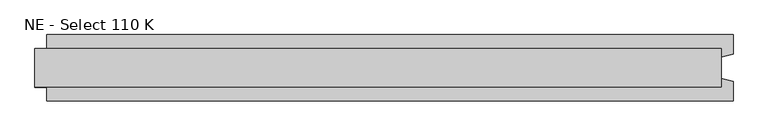
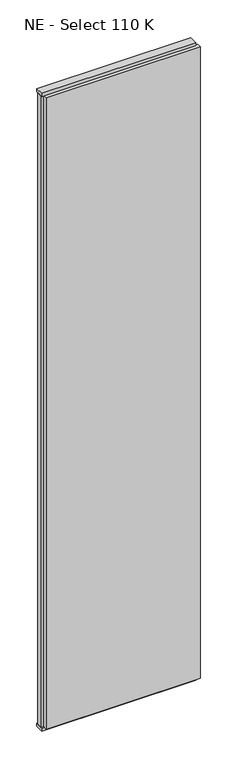
"""IFC4 building model written with IfcOpenShell, lengths in millimetres: plate geometry, NE - Select 110 K."""

import ifcopenshell
import ifcopenshell.guid

model = None  # the IFC model being written
_history = None  # IfcOwnerHistory: only IFC2X3 demands one
_inside = {}  # id of a spatial element -> (the spatial element, [elements in it])
_under = {}  # id of a project, library or spatial element -> (it, [spatial elements below it])
_declared = {}  # id of a project -> (the project, [libraries it declares])
_typed = {}  # id of a type object -> (the type object, [elements of that type])
_made_of = {}  # id of a material, layer set ... -> (it, [elements and type objects made of it])


def new_model(schema):
    """Start an empty IFC model of exactly this schema.

    Asked for "IFC4X3", IfcOpenShell would pick the latest addendum, in which some entities
    have other attributes; the version numbers below select the first issue.
    IFC2X3 requires an IfcOwnerHistory on every rooted entity: one is made here for all.
    """
    global model, _history
    if schema == "IFC4X3":
        model = ifcopenshell.file(schema_version=(4, 3, 0, 0))
    else:
        model = ifcopenshell.file(schema=schema)
    _inside.clear()
    _under.clear()
    _declared.clear()
    _typed.clear()
    _made_of.clear()
    _history = None
    if model.schema == "IFC2X3":
        org = make("IfcOrganization", Name="unknown")
        user = make(
            "IfcPersonAndOrganization",
            ThePerson=make("IfcPerson", FamilyName="unknown"),
            TheOrganization=org,
        )
        app = make(
            "IfcApplication",
            ApplicationDeveloper=org,
            Version="unknown",
            ApplicationFullName="unknown",
            ApplicationIdentifier="unknown",
        )
        _history = make(
            "IfcOwnerHistory",
            OwningUser=user,
            OwningApplication=app,
            ChangeAction="ADDED",
            CreationDate=0,
        )
    return model


def make(cls, **values):
    """One entity of the class cls with the attributes given. An attribute that is None is left unset."""
    return model.create_entity(
        cls, **{name: value for name, value in values.items() if value is not None}
    )


def rooted(cls, **values):
    """An entity with a GlobalId (a new one), such as an element, a storey or a relation."""
    return make(cls, GlobalId=ifcopenshell.guid.new(), OwnerHistory=_history, **values)


def si_unit(unit_type, name, prefix=None):
    """IfcSIUnit, for example si_unit("LENGTHUNIT", "METRE", prefix="MILLI")."""
    return make("IfcSIUnit", UnitType=unit_type, Prefix=prefix, Name=name)


def assignment(units):
    """IfcUnitAssignment: the units of a project."""
    return None if units is None else make("IfcUnitAssignment", Units=units)


def point(xyz):
    """IfcCartesianPoint."""
    return None if xyz is None else make("IfcCartesianPoint", Coordinates=xyz)


def direction(xyz):
    """IfcDirection."""
    return None if xyz is None else make("IfcDirection", DirectionRatios=xyz)


def frame(location, z_axis=None, x_axis=None):
    """IfcAxis2Placement3D, a coordinate frame: its origin and axes. An axis left out is left unset."""
    return make(
        "IfcAxis2Placement3D",
        Location=point(location),
        Axis=direction(z_axis),
        RefDirection=direction(x_axis),
    )


def origin():
    """The frame at (0, 0, 0) with its axes left unset."""
    return frame((0.0, 0.0, 0.0))


def origin_with_axes():
    """The frame at (0, 0, 0) with the z axis (0, 0, 1) and the x axis (1, 0, 0) written out."""
    return frame((0.0, 0.0, 0.0), z_axis=(0.0, 0.0, 1.0), x_axis=(1.0, 0.0, 0.0))


def place(relative_to, where):
    """IfcLocalPlacement: puts the frame where relative to a parent placement (None: the world)."""
    return make(
        "IfcLocalPlacement", PlacementRelTo=relative_to, RelativePlacement=where
    )


def context(
    kind, dimensions, precision=None, world=None, true_north=None, identifier=None
):
    """IfcGeometricRepresentationContext, for example the 3D "Model" context."""
    return make(
        "IfcGeometricRepresentationContext",
        ContextIdentifier=identifier,
        ContextType=kind,
        CoordinateSpaceDimension=dimensions,
        Precision=precision,
        WorldCoordinateSystem=world,
        TrueNorth=true_north,
    )


def project(units=None, contexts=None):
    """IfcProject with its units and contexts."""
    return rooted(
        "IfcProject",
        Name="project",
        RepresentationContexts=contexts,
        UnitsInContext=assignment(units),
    )


def spatial(cls, under=None, at=None, **own):
    """A site, building, storey or space (cls), placed at a placement, below another one or the project."""
    s = rooted(cls, ObjectPlacement=at, **own)
    if under is not None:
        _under.setdefault(under.id(), (under, []))[1].append(s)
    return s


def polyline(points):
    """IfcPolyline through the points."""
    return make("IfcPolyline", Points=[point(p) for p in points])


def outline(outer, holes=None, kind="AREA"):
    """IfcArbitraryClosedProfileDef: a profile drawn as a closed curve; with holes, ...WithVoids."""
    if holes is None:
        return make("IfcArbitraryClosedProfileDef", ProfileType=kind, OuterCurve=outer)
    return make(
        "IfcArbitraryProfileDefWithVoids",
        ProfileType=kind,
        OuterCurve=outer,
        InnerCurves=holes,
    )


def extrude(swept, where, along, depth):
    """IfcExtrudedAreaSolid: the profile swept, set in the frame where, extruded along a direction by depth."""
    return make(
        "IfcExtrudedAreaSolid",
        SweptArea=swept,
        Position=where,
        ExtrudedDirection=direction(along),
        Depth=depth,
    )


def shape(context_of_items, identifier, shape_type, items):
    """IfcShapeRepresentation: the items that make up one representation, for example the "Body"."""
    return make(
        "IfcShapeRepresentation",
        ContextOfItems=context_of_items,
        RepresentationIdentifier=identifier,
        RepresentationType=shape_type,
        Items=items,
    )


def source(mapping_origin, context_of_items, identifier, shape_type, items):
    """IfcRepresentationMap: a shape defined once, which mapped items show again and again."""
    return make(
        "IfcRepresentationMap",
        MappingOrigin=mapping_origin,
        MappedRepresentation=shape(context_of_items, identifier, shape_type, items),
    )


def transform(
    local_origin,
    x_axis=None,
    y_axis=None,
    z_axis=None,
    scale=None,
    scale2=None,
    scale3=None,
    uniform=True,
):
    """IfcCartesianTransformationOperator3D, or its non-uniform kind. x_axis, y_axis, z_axis: its Axis1, 2, 3."""
    if uniform:
        return make(
            "IfcCartesianTransformationOperator3D",
            Axis1=direction(x_axis),
            Axis2=direction(y_axis),
            LocalOrigin=point(local_origin),
            Scale=scale,
            Axis3=direction(z_axis),
        )
    return make(
        "IfcCartesianTransformationOperator3DnonUniform",
        Axis1=direction(x_axis),
        Axis2=direction(y_axis),
        LocalOrigin=point(local_origin),
        Scale=scale,
        Axis3=direction(z_axis),
        Scale2=scale2,
        Scale3=scale3,
    )


def mapped(mapping_source, mapping_target):
    """IfcMappedItem: shows the shape of a source again, moved by a transform."""
    return make(
        "IfcMappedItem", MappingSource=mapping_source, MappingTarget=mapping_target
    )


def made_of(thing, what):
    """Note that an element or type object is made of a material, layer set ...; save() writes the relation."""
    if what is not None:
        _made_of.setdefault(what.id(), (what, []))[1].append(thing)
    return thing


def element(
    cls,
    number,
    at=None,
    inside=None,
    cuts=None,
    type_object=None,
    material=None,
    context=None,
    identifier="Body",
    shape_type=None,
    held_by="IfcProductDefinitionShape",
    body=None,
    shapes=None,
    **own,
):
    """One element of the class cls, such as IfcWall. Its Tag is "e" and its number.

    at: its placement. inside: the storey or other place that contains it. cuts: it is an
    opening in that element (IfcRelVoidsElement). A single representation is given by context,
    identifier, shape_type and body (its items); several are given by shapes. held_by: the class
    of the entity that holds the representations. save() writes the other relations.
    """
    e = rooted(cls, Tag="e%d" % number, ObjectPlacement=at, **own)
    if body is not None:
        shapes = [shape(context, identifier, shape_type, body)]
    if shapes is not None:
        e.Representation = make(held_by, Representations=shapes)
    if inside is not None:
        _inside.setdefault(inside.id(), (inside, []))[1].append(e)
    if cuts is not None:
        rooted(
            "IfcRelVoidsElement", RelatingBuildingElement=cuts, RelatedOpeningElement=e
        )
    if type_object is not None:
        _typed.setdefault(type_object.id(), (type_object, []))[1].append(e)
    return made_of(e, material)


def aggregate(whole, parts):
    """IfcRelAggregates: a whole, such as a stair, and the parts it consists of."""
    return rooted("IfcRelAggregates", RelatingObject=whole, RelatedObjects=parts)


def save(model, path):
    """Write the relations noted so far, then the file.

    IfcRelAggregates (storeys below a building ...), IfcRelContainedInSpatialStructure (elements
    in a storey), IfcRelDefinesByType, IfcRelAssociatesMaterial and IfcRelDeclares: one each for
    every whole, place, type object, material and project.
    """
    for whole, parts in _under.values():
        aggregate(whole, parts)
    for where, things in _inside.values():
        rooted(
            "IfcRelContainedInSpatialStructure",
            RelatedElements=things,
            RelatingStructure=where,
        )
    for kind, things in _typed.values():
        rooted("IfcRelDefinesByType", RelatedObjects=things, RelatingType=kind)
    for what, things in _made_of.values():
        rooted("IfcRelAssociatesMaterial", RelatedObjects=things, RelatingMaterial=what)
    for by, libraries in _declared.values():
        rooted("IfcRelDeclares", RelatingContext=by, RelatedDefinitions=libraries)
    model.write(path)


def ne_select_110_k_1a0165be(model_context):
    return source(origin(), model_context, "Body", "SweptSolid", [
        extrude(outline(polyline([(590.5, 55.0), (590.5, 22.9993165), (570.5, 17.6401049), (570.5, -17.6401049), (590.5, -22.9993165), (590.5, -55.0), (-550.5, -55.0), (-550.5, -22.9993165), (-570.5, -17.6401049), (-570.5, 17.6401049), (-550.5, 22.9993165), (-550.5, 55.0), (590.5, 55.0)])), frame((0.0, 0.0, 25.0), z_axis=(0.0, 0.0, 1.0), x_axis=(1.0, 0.0, 0.0)), (0.0, 0.0, 1.0), 4950.0),
        extrude(outline(polyline([(570.5, 32.0), (570.5, -32.0), (-570.5, -32.0), (-570.5, 32.0), (570.5, 32.0)])), origin_with_axes(), (0.0, 0.0, 1.0), 25.0),
        extrude(outline(polyline([(570.5, 32.0), (570.5, -32.0), (-570.5, -32.0), (-570.5, 32.0), (570.5, 32.0)])), frame((0.0, 0.0, 4975.0), z_axis=(0.0, 0.0, 1.0), x_axis=(1.0, 0.0, 0.0)), (0.0, 0.0, 1.0), 25.0),
    ])


if __name__ == "__main__":
    model = new_model("IFC4")
    model_context = context("Model", 3, world=origin())
    ifc_project = project(units=[si_unit("LENGTHUNIT", "METRE", prefix="MILLI")], contexts=[model_context])
    site = spatial("IfcSite", under=ifc_project)
    building = spatial("IfcBuilding", under=site)
    placement = place(None, origin())
    ne_select_110_k_shape = ne_select_110_k_1a0165be(model_context)
    element("IfcPlate", 1, ObjectType="NE - Select 110 K", at=placement, inside=building, context=model_context, shape_type="MappedRepresentation", body=[
        mapped(ne_select_110_k_shape, transform((0.0, 0.0, 0.0), x_axis=(1.0, 0.0, 0.0), y_axis=(0.0, 1.0, 0.0), z_axis=(0.0, 0.0, 1.0))),
    ])
    save(model, "model.ifc")
